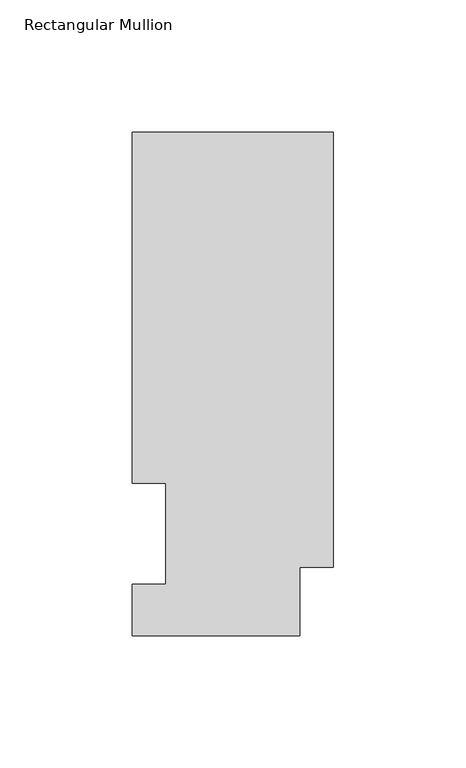
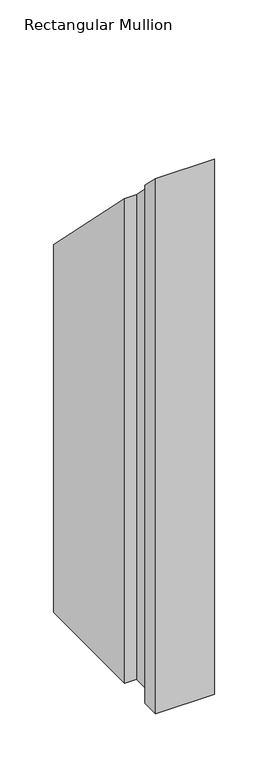
"""IFC4 building model written with IfcOpenShell, lengths in millimetres: member geometry, Rectangular Mullion."""

import ifcopenshell
import ifcopenshell.guid

model = None  # the IFC model being written
_history = None  # IfcOwnerHistory: only IFC2X3 demands one
_inside = {}  # id of a spatial element -> (the spatial element, [elements in it])
_under = {}  # id of a project, library or spatial element -> (it, [spatial elements below it])
_declared = {}  # id of a project -> (the project, [libraries it declares])
_typed = {}  # id of a type object -> (the type object, [elements of that type])
_made_of = {}  # id of a material, layer set ... -> (it, [elements and type objects made of it])


def new_model(schema):
    """Start an empty IFC model of exactly this schema.

    Asked for "IFC4X3", IfcOpenShell would pick the latest addendum, in which some entities
    have other attributes; the version numbers below select the first issue.
    IFC2X3 requires an IfcOwnerHistory on every rooted entity: one is made here for all.
    """
    global model, _history
    if schema == "IFC4X3":
        model = ifcopenshell.file(schema_version=(4, 3, 0, 0))
    else:
        model = ifcopenshell.file(schema=schema)
    _inside.clear()
    _under.clear()
    _declared.clear()
    _typed.clear()
    _made_of.clear()
    _history = None
    if model.schema == "IFC2X3":
        org = make("IfcOrganization", Name="unknown")
        user = make(
            "IfcPersonAndOrganization",
            ThePerson=make("IfcPerson", FamilyName="unknown"),
            TheOrganization=org,
        )
        app = make(
            "IfcApplication",
            ApplicationDeveloper=org,
            Version="unknown",
            ApplicationFullName="unknown",
            ApplicationIdentifier="unknown",
        )
        _history = make(
            "IfcOwnerHistory",
            OwningUser=user,
            OwningApplication=app,
            ChangeAction="ADDED",
            CreationDate=0,
        )
    return model


def make(cls, **values):
    """One entity of the class cls with the attributes given. An attribute that is None is left unset."""
    return model.create_entity(
        cls, **{name: value for name, value in values.items() if value is not None}
    )


def rooted(cls, **values):
    """An entity with a GlobalId (a new one), such as an element, a storey or a relation."""
    return make(cls, GlobalId=ifcopenshell.guid.new(), OwnerHistory=_history, **values)


def si_unit(unit_type, name, prefix=None):
    """IfcSIUnit, for example si_unit("LENGTHUNIT", "METRE", prefix="MILLI")."""
    return make("IfcSIUnit", UnitType=unit_type, Prefix=prefix, Name=name)


def assignment(units):
    """IfcUnitAssignment: the units of a project."""
    return None if units is None else make("IfcUnitAssignment", Units=units)


def point(xyz):
    """IfcCartesianPoint."""
    return None if xyz is None else make("IfcCartesianPoint", Coordinates=xyz)


def direction(xyz):
    """IfcDirection."""
    return None if xyz is None else make("IfcDirection", DirectionRatios=xyz)


def frame(location, z_axis=None, x_axis=None):
    """IfcAxis2Placement3D, a coordinate frame: its origin and axes. An axis left out is left unset."""
    return make(
        "IfcAxis2Placement3D",
        Location=point(location),
        Axis=direction(z_axis),
        RefDirection=direction(x_axis),
    )


def origin():
    """The frame at (0, 0, 0) with its axes left unset."""
    return frame((0.0, 0.0, 0.0))


def place(relative_to, where):
    """IfcLocalPlacement: puts the frame where relative to a parent placement (None: the world)."""
    return make(
        "IfcLocalPlacement", PlacementRelTo=relative_to, RelativePlacement=where
    )


def context(
    kind, dimensions, precision=None, world=None, true_north=None, identifier=None
):
    """IfcGeometricRepresentationContext, for example the 3D "Model" context."""
    return make(
        "IfcGeometricRepresentationContext",
        ContextIdentifier=identifier,
        ContextType=kind,
        CoordinateSpaceDimension=dimensions,
        Precision=precision,
        WorldCoordinateSystem=world,
        TrueNorth=true_north,
    )


def project(units=None, contexts=None):
    """IfcProject with its units and contexts."""
    return rooted(
        "IfcProject",
        Name="project",
        RepresentationContexts=contexts,
        UnitsInContext=assignment(units),
    )


def spatial(cls, under=None, at=None, **own):
    """A site, building, storey or space (cls), placed at a placement, below another one or the project."""
    s = rooted(cls, ObjectPlacement=at, **own)
    if under is not None:
        _under.setdefault(under.id(), (under, []))[1].append(s)
    return s


def faces_of(points, faces, orient=None, outer=None):
    """IfcFace entities. A face is a list of loops; a loop is a list of indices into points, from 0.

    orient and outer hold one flag for each loop. By default every Orientation is true, the
    first loop of a face is its IfcFaceOuterBound and the others are IfcFaceBound.
    """
    made = []
    for i, loops in enumerate(faces):
        bounds = []
        for j, loop in enumerate(loops):
            is_outer = j == 0 if outer is None else outer[i][j]
            bounds.append(
                make(
                    "IfcFaceOuterBound" if is_outer else "IfcFaceBound",
                    Bound=make("IfcPolyLoop", Polygon=[points[k] for k in loop]),
                    Orientation=True if orient is None else orient[i][j],
                )
            )
        made.append(make("IfcFace", Bounds=bounds))
    return made


def faceted_brep(points, faces, orient=None, outer=None, voids=None):
    """IfcFacetedBrep: a solid bounded by flat faces; with voids (closed shells), ...WithVoids."""
    shared = [point(p) for p in points]
    hull = make("IfcClosedShell", CfsFaces=faces_of(shared, faces, orient, outer))
    if voids is None:
        return make("IfcFacetedBrep", Outer=hull)
    return make(
        "IfcFacetedBrepWithVoids",
        Outer=hull,
        Voids=[
            make(cls, CfsFaces=faces_of(shared, fs, o, b)) for cls, fs, o, b in voids
        ],
    )


def shape(context_of_items, identifier, shape_type, items):
    """IfcShapeRepresentation: the items that make up one representation, for example the "Body"."""
    return make(
        "IfcShapeRepresentation",
        ContextOfItems=context_of_items,
        RepresentationIdentifier=identifier,
        RepresentationType=shape_type,
        Items=items,
    )


def source(mapping_origin, context_of_items, identifier, shape_type, items):
    """IfcRepresentationMap: a shape defined once, which mapped items show again and again."""
    return make(
        "IfcRepresentationMap",
        MappingOrigin=mapping_origin,
        MappedRepresentation=shape(context_of_items, identifier, shape_type, items),
    )


def transform(
    local_origin,
    x_axis=None,
    y_axis=None,
    z_axis=None,
    scale=None,
    scale2=None,
    scale3=None,
    uniform=True,
):
    """IfcCartesianTransformationOperator3D, or its non-uniform kind. x_axis, y_axis, z_axis: its Axis1, 2, 3."""
    if uniform:
        return make(
            "IfcCartesianTransformationOperator3D",
            Axis1=direction(x_axis),
            Axis2=direction(y_axis),
            LocalOrigin=point(local_origin),
            Scale=scale,
            Axis3=direction(z_axis),
        )
    return make(
        "IfcCartesianTransformationOperator3DnonUniform",
        Axis1=direction(x_axis),
        Axis2=direction(y_axis),
        LocalOrigin=point(local_origin),
        Scale=scale,
        Axis3=direction(z_axis),
        Scale2=scale2,
        Scale3=scale3,
    )


def mapped(mapping_source, mapping_target):
    """IfcMappedItem: shows the shape of a source again, moved by a transform."""
    return make(
        "IfcMappedItem", MappingSource=mapping_source, MappingTarget=mapping_target
    )


def made_of(thing, what):
    """Note that an element or type object is made of a material, layer set ...; save() writes the relation."""
    if what is not None:
        _made_of.setdefault(what.id(), (what, []))[1].append(thing)
    return thing


def element(
    cls,
    number,
    at=None,
    inside=None,
    cuts=None,
    type_object=None,
    material=None,
    context=None,
    identifier="Body",
    shape_type=None,
    held_by="IfcProductDefinitionShape",
    body=None,
    shapes=None,
    **own,
):
    """One element of the class cls, such as IfcWall. Its Tag is "e" and its number.

    at: its placement. inside: the storey or other place that contains it. cuts: it is an
    opening in that element (IfcRelVoidsElement). A single representation is given by context,
    identifier, shape_type and body (its items); several are given by shapes. held_by: the class
    of the entity that holds the representations. save() writes the other relations.
    """
    e = rooted(cls, Tag="e%d" % number, ObjectPlacement=at, **own)
    if body is not None:
        shapes = [shape(context, identifier, shape_type, body)]
    if shapes is not None:
        e.Representation = make(held_by, Representations=shapes)
    if inside is not None:
        _inside.setdefault(inside.id(), (inside, []))[1].append(e)
    if cuts is not None:
        rooted(
            "IfcRelVoidsElement", RelatingBuildingElement=cuts, RelatedOpeningElement=e
        )
    if type_object is not None:
        _typed.setdefault(type_object.id(), (type_object, []))[1].append(e)
    return made_of(e, material)


def aggregate(whole, parts):
    """IfcRelAggregates: a whole, such as a stair, and the parts it consists of."""
    return rooted("IfcRelAggregates", RelatingObject=whole, RelatedObjects=parts)


def save(model, path):
    """Write the relations noted so far, then the file.

    IfcRelAggregates (storeys below a building ...), IfcRelContainedInSpatialStructure (elements
    in a storey), IfcRelDefinesByType, IfcRelAssociatesMaterial and IfcRelDeclares: one each for
    every whole, place, type object, material and project.
    """
    for whole, parts in _under.values():
        aggregate(whole, parts)
    for where, things in _inside.values():
        rooted(
            "IfcRelContainedInSpatialStructure",
            RelatedElements=things,
            RelatingStructure=where,
        )
    for kind, things in _typed.values():
        rooted("IfcRelDefinesByType", RelatedObjects=things, RelatingType=kind)
    for what, things in _made_of.values():
        rooted("IfcRelAssociatesMaterial", RelatedObjects=things, RelatingMaterial=what)
    for by, libraries in _declared.values():
        rooted("IfcRelDeclares", RelatingContext=by, RelatedDefinitions=libraries)
    model.write(path)


def rectangular_mullion_7fba5f4b(model_context):
    return source(origin(), model_context, "Body", "Brep", [
        faceted_brep([(-76.2, 0.0134937, -609.6), (-76.2, 19.5460937, -609.6), (-63.5127, 19.5460937, -609.6), (-63.5127, 57.6460937, -609.6), (-76.2, 57.6460937, -609.6), (-76.2, 190.5896937, -609.6), (0.0, 190.5896937, -609.6), (0.0, 25.8960937, -609.6), (-12.7, 25.8960937, -609.6), (-12.7, 0.0134937, -609.6), (-12.7, 0.0134937, -0.0134937), (-76.2, 0.0134937, -0.0134937), (-12.7, 25.8960937, -25.8960937), (0.0, 25.8960937, -25.8960937), (0.0, 190.5896937, -190.5896937), (-76.2, 190.5896937, -190.5896937), (-76.2, 57.6460937, -57.6460937), (-63.5127, 57.6460937, -57.6460937), (-63.5127, 19.5460937, -19.5460937), (-76.2, 19.5460937, -19.5460937)], [[[0, 1, 2, 3, 4, 5, 6, 7, 8, 9]], [[10, 11, 0, 9]], [[12, 10, 9, 8]], [[13, 12, 8, 7]], [[14, 13, 7, 6]], [[15, 14, 6, 5]], [[16, 15, 5, 4]], [[17, 16, 4, 3]], [[18, 17, 3, 2]], [[19, 18, 2, 1]], [[11, 19, 1, 0]], [[11, 10, 12, 13, 14, 15, 16, 17, 18, 19]]]),
    ])


if __name__ == "__main__":
    model = new_model("IFC4")
    model_context = context("Model", 3, world=origin())
    ifc_project = project(units=[si_unit("LENGTHUNIT", "METRE", prefix="MILLI")], contexts=[model_context])
    site = spatial("IfcSite", under=ifc_project)
    building = spatial("IfcBuilding", under=site)
    placement = place(None, origin())
    rectangular_mullion_shape = rectangular_mullion_7fba5f4b(model_context)
    element("IfcMember", 1, ObjectType="Rectangular Mullion", at=placement, inside=building, context=model_context, shape_type="MappedRepresentation", body=[
        mapped(rectangular_mullion_shape, transform((0.0, 0.0, 0.0), x_axis=(1.0, 0.0, 0.0), y_axis=(0.0, 1.0, 0.0), z_axis=(0.0, 0.0, 1.0))),
    ])
    save(model, "model.ifc")
